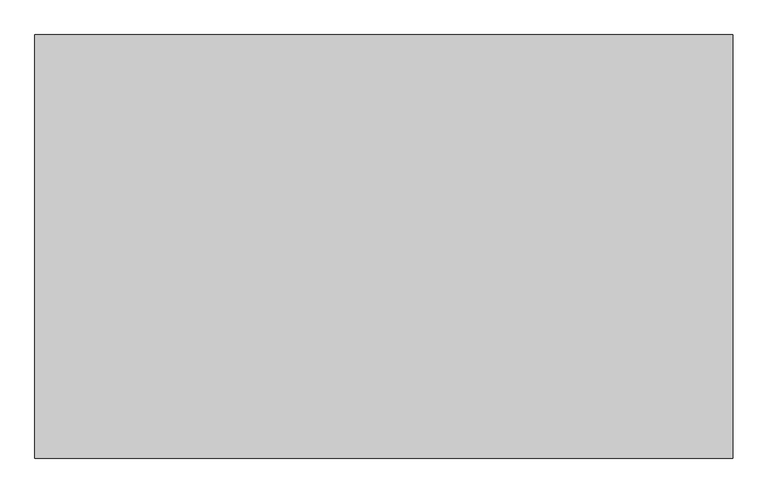
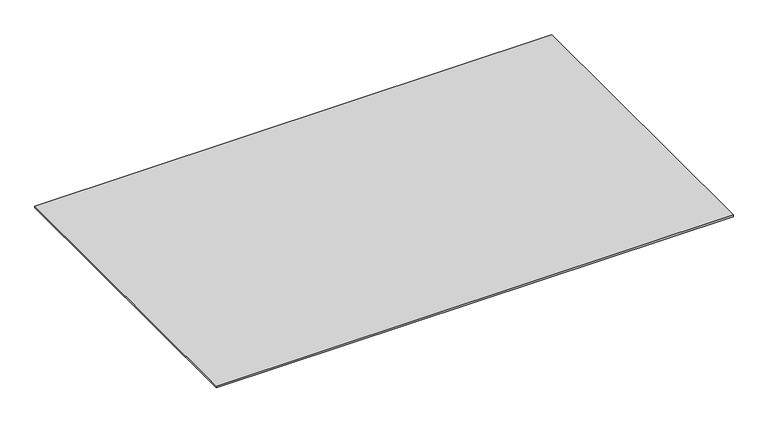
"""IFC4 building model written with IfcOpenShell, lengths in millimetres: proxy geometry."""

from ifc_helpers import new_model, si_unit, origin, origin_with_axes, place, context, project, spatial, polyline, outline, extrude, source, transform, mapped, element, save


def specialty_equipment_832f47c7(model_context):
    return source(origin(), model_context, "Body", "SweptSolid", [
        extrude(outline(polyline([(1030.0, -290.0), (1030.0, -1540.0), (-1030.0, -1540.0), (-1030.0, -290.0), (1030.0, -290.0)])), origin_with_axes(), (0.0, 0.0, 1.0), 7.0),
    ])


if __name__ == "__main__":
    model = new_model("IFC4")
    model_context = context("Model", 3, world=origin())
    ifc_project = project(units=[si_unit("LENGTHUNIT", "METRE", prefix="MILLI")], contexts=[model_context])
    site = spatial("IfcSite", under=ifc_project)
    building = spatial("IfcBuilding", under=site)
    placement = place(None, origin())
    specialty_equipment_shape = specialty_equipment_832f47c7(model_context)
    element("IfcBuildingElementProxy", 1, Name="Specialty Equipment", at=placement, inside=building, context=model_context, shape_type="MappedRepresentation", body=[
        mapped(specialty_equipment_shape, transform((0.0, 0.0, 0.0), x_axis=(1.0, 0.0, 0.0), y_axis=(0.0, 1.0, 0.0), z_axis=(0.0, 0.0, 1.0))),
    ])
    save(model, "model.ifc")
